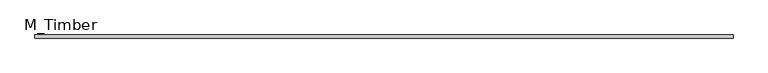
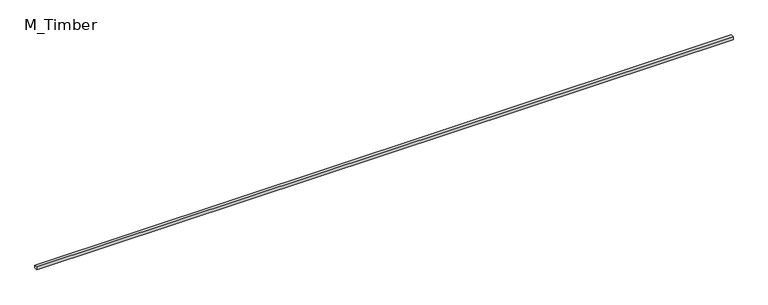
"""IFC4 building model written with IfcOpenShell, lengths in millimetres: beam geometry, M_Timber."""

from ifc_helpers import new_model, si_unit, frame, origin, place, context, project, spatial, polyline, outline, extrude, source, transform, mapped, element, save


def m_timber_b7abe272(model_context):
    return source(origin(), model_context, "Body", "SweptSolid", [
        extrude(outline(polyline([(4470.8437, 20.0), (4470.8437, -20.0), (-4470.8437, -20.0), (-4470.8437, 20.0), (4470.8437, 20.0)])), frame((0.0, 0.0, -20.0), z_axis=(0.0, 0.0, 1.0), x_axis=(1.0, 0.0, 0.0)), (0.0, 0.0, 1.0), 40.0),
    ])


if __name__ == "__main__":
    model = new_model("IFC4")
    model_context = context("Model", 3, world=origin())
    ifc_project = project(units=[si_unit("LENGTHUNIT", "METRE", prefix="MILLI")], contexts=[model_context])
    site = spatial("IfcSite", under=ifc_project)
    building = spatial("IfcBuilding", under=site)
    placement = place(None, origin())
    m_timber_shape = m_timber_b7abe272(model_context)
    element("IfcBeam", 1, ObjectType="M_Timber", at=placement, inside=building, context=model_context, shape_type="MappedRepresentation", body=[
        mapped(m_timber_shape, transform((0.0, 0.0, 0.0), x_axis=(1.0, 0.0, 0.0), y_axis=(0.0, 1.0, 0.0), z_axis=(0.0, 0.0, 1.0))),
    ])
    save(model, "model.ifc")
